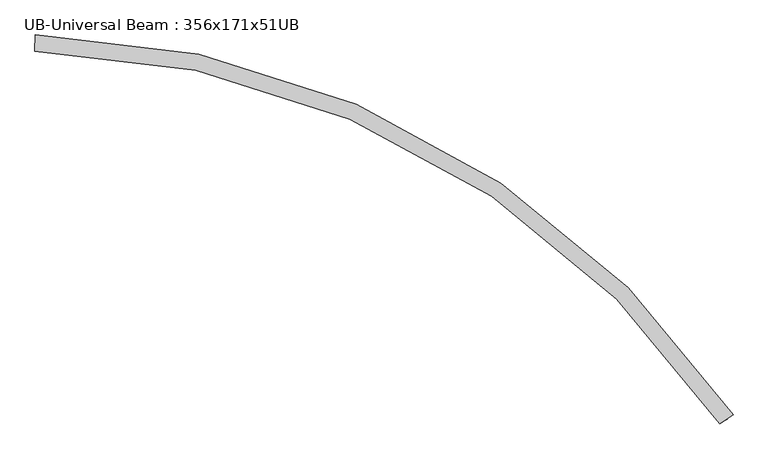
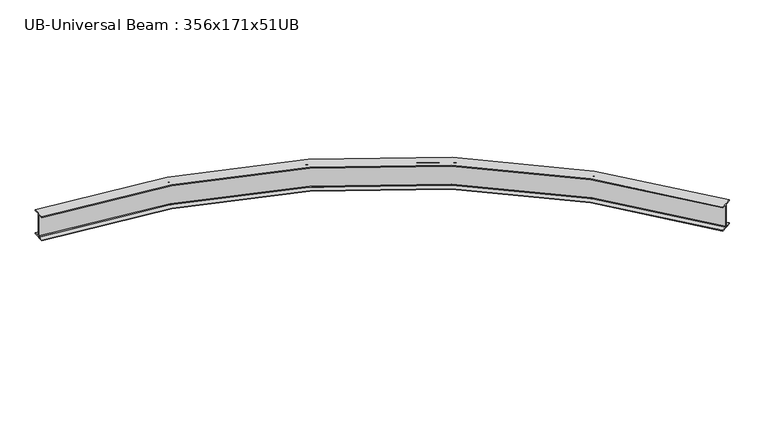
"""IFC4 building model written with IfcOpenShell, lengths in millimetres: beam geometry, UB-Universal Beam : 356x171x51UB."""

from ifc_helpers import new_model, si_unit, point, frame, origin, place, context, project, spatial, polyline, circle_curve, ellipse_curve, trimmed, source, transform, mapped, element, save
from ifc_brep_helpers import plane_surface, cylinder_surface, revolved_surface, advanced_brep


def ub_universal_beam_356x171x51ub_3a922dcd(model_context):
    return source(origin(), model_context, "Body", "AdvancedBrep", [
        advanced_brep(
        [(7603.4291631, -3945.7912319, -166.0), (7543.9559153, -3986.1069274, -166.0), (7535.5129491, -3991.8302412, -155.8), (7535.5129491, -3991.8302412, 155.8), (7543.9559153, -3986.1069274, 166.0), (7603.4291631, -3945.7912319, 166.0), (7603.4291631, -3945.7912319, 177.5), (7461.4714458, -4042.0214585, 177.5), (7461.4714458, -4042.0214585, 166.0), (7520.9446935, -4001.705763, 166.0), (7529.3876598, -3995.9824492, 155.8), (7529.3876598, -3995.9824492, -155.8), (7520.9446935, -4001.705763, -166.0), (7461.4714458, -4042.0214585, -166.0), (7461.4714458, -4042.0214585, -177.5), (7603.4291631, -3945.7912319, -177.5), (204.1140226, 83.4819392, -166.0), (204.1140226, 83.4819392, -177.5), (200.3031683, -87.9757156, -177.5), (200.3031683, -87.9757156, -166.0), (201.8997274, -16.1434561, -166.0), (202.1263788, -5.9459746, -155.8), (202.1263788, -5.9459746, 155.8), (201.8997274, -16.1434561, 166.0), (200.3031683, -87.9757156, 166.0), (200.3031683, -87.9757156, 177.5), (204.1140226, 83.4819392, 177.5), (204.1140226, 83.4819392, 166.0), (202.5174635, 11.6496798, 166.0), (202.2908122, 1.4521983, 155.8), (202.2908122, 1.4521983, -155.8), (202.5174635, 11.6496798, -166.0)],
        [
            (0, 1),
            (1, 2, circle_curve(frame((7543.9559153, -3986.1069274, -155.8), z_axis=(-0.561109192833202, 0.8277417916947727, 0.0), x_axis=(-0.8277417916947727, -0.561109192833202, 0.0)), 10.2)),
            (2, 3),
            (3, 4, circle_curve(frame((7543.9559153, -3986.1069274, 155.8), z_axis=(-0.5611091928332014, 0.8277417916947732, 0.0), x_axis=(-0.8277417916947732, -0.5611091928332014, 0.0)), 10.2)),
            (4, 5),
            (5, 6),
            (6, 7),
            (7, 8),
            (8, 9),
            (9, 10, circle_curve(frame((7520.9446935, -4001.705763, 155.8), z_axis=(-0.5611091928332014, 0.8277417916947732, 0.0), x_axis=(-0.8277417916947732, -0.5611091928332014, 0.0)), 10.2)),
            (10, 11),
            (11, 12, circle_curve(frame((7520.9446935, -4001.705763, -155.8), z_axis=(-0.5611091928332014, 0.8277417916947732, 0.0), x_axis=(-0.8277417916947732, -0.5611091928332014, 0.0)), 10.2)),
            (12, 13),
            (13, 14),
            (14, 15),
            (15, 0),
            (16, 17),
            (17, 18),
            (18, 19),
            (19, 20),
            (20, 21, circle_curve(frame((201.8997274, -16.1434561, -155.8), z_axis=(0.9997530892127157, -0.022220724777375966, 0.0), x_axis=(-0.022220724777375966, -0.9997530892127157, 0.0)), 10.2)),
            (21, 22),
            (22, 23, circle_curve(frame((201.8997274, -16.1434561, 155.8), z_axis=(0.9997530892127157, -0.022220724777375966, 0.0), x_axis=(-0.022220724777375966, -0.9997530892127157, 0.0)), 10.2)),
            (23, 24),
            (24, 25),
            (25, 26),
            (26, 27),
            (27, 28),
            (28, 29, circle_curve(frame((202.5174635, 11.6496798, 155.8), z_axis=(0.9997530892127157, -0.022220724777375966, 0.0), x_axis=(-0.022220724777375966, -0.9997530892127157, 0.0)), 10.2)),
            (29, 30),
            (30, 31, circle_curve(frame((202.5174635, 11.6496798, -155.8), z_axis=(0.9997530892127157, -0.022220724777375966, 0.0), x_axis=(-0.022220724777375966, -0.9997530892127157, 0.0)), 10.2)),
            (31, 16),
            (0, 16, circle_curve(frame((0.0, -9100.0, -166.0), z_axis=(0.0, 0.0, 1.0), x_axis=(0.8400257373298863, 0.5425465515726562, 0.0)), 9185.75)),
            (31, 1, circle_curve(frame((0.0, -9100.0, -166.0), z_axis=(0.0, 0.0, -1.0), x_axis=(0.8400257373298863, 0.5425465515726562, 0.0)), 9113.9)),
            (30, 2, circle_curve(frame((0.0, -9100.0, -155.8), z_axis=(0.0, 0.0, -1.0), x_axis=(0.8400257373298863, 0.5425465515726562, 0.0)), 9103.7)),
            (29, 3, circle_curve(frame((0.0, -9100.0, 155.8), z_axis=(0.0, 0.0, -1.0), x_axis=(0.8400257373298863, 0.5425465515726562, 0.0)), 9103.7)),
            (28, 4, circle_curve(frame((0.0, -9100.0, 166.0), z_axis=(0.0, 0.0, -1.0), x_axis=(0.8400257373298863, 0.5425465515726562, 0.0)), 9113.9)),
            (27, 5, circle_curve(frame((0.0, -9100.0, 166.0), z_axis=(0.0, 0.0, -1.0), x_axis=(0.8400257373298863, 0.5425465515726562, 0.0)), 9185.75)),
            (26, 6, circle_curve(frame((0.0, -9100.0, 177.5), z_axis=(0.0, 0.0, -1.0), x_axis=(0.8400257373298863, 0.5425465515726562, 0.0)), 9185.75)),
            (25, 7, circle_curve(frame((0.0, -9100.0, 177.5), z_axis=(0.0, 0.0, -1.0), x_axis=(0.8400257373298863, 0.5425465515726562, 0.0)), 9014.25)),
            (24, 8, circle_curve(frame((0.0, -9100.0, 166.0), z_axis=(0.0, 0.0, -1.0), x_axis=(0.8400257373298863, 0.5425465515726562, 0.0)), 9014.25)),
            (23, 9, circle_curve(frame((0.0, -9100.0, 166.0), z_axis=(0.0, 0.0, -1.0), x_axis=(0.8400257373298863, 0.5425465515726562, 0.0)), 9086.1)),
            (22, 10, circle_curve(frame((0.0, -9100.0, 155.8), z_axis=(0.0, 0.0, -1.0), x_axis=(0.8400257373298863, 0.5425465515726562, 0.0)), 9096.3)),
            (21, 11, circle_curve(frame((0.0, -9100.0, -155.8), z_axis=(0.0, 0.0, -1.0), x_axis=(0.8400257373298863, 0.5425465515726562, 0.0)), 9096.3)),
            (20, 12, circle_curve(frame((0.0, -9100.0, -166.0), z_axis=(0.0, 0.0, -1.0), x_axis=(0.8400257373298863, 0.5425465515726562, 0.0)), 9086.1)),
            (19, 13, circle_curve(frame((0.0, -9100.0, -166.0), z_axis=(0.0, 0.0, -1.0), x_axis=(0.8400257373298863, 0.5425465515726562, 0.0)), 9014.25)),
            (18, 14, circle_curve(frame((0.0, -9100.0, -177.5), z_axis=(0.0, 0.0, -1.0), x_axis=(0.8400257373298863, 0.5425465515726562, 0.0)), 9014.25)),
            (17, 15, circle_curve(frame((0.0, -9100.0, -177.5), z_axis=(0.0, 0.0, -1.0), x_axis=(0.8400257373298863, 0.5425465515726562, 0.0)), 9185.75)),
        ],
        [
            plane_surface(frame((7532.4503044, -3993.9063452, 0.0), z_axis=(0.5611091928331962, -0.8277417916947767, 0.0), x_axis=(0.0, 0.0, 1.0))),
            plane_surface(frame((202.2085955, -2.2468882, 0.0), z_axis=(-0.9997530892127156, 0.022220724777382187, 0.0), x_axis=(0.0, 0.0, 1.0))),
            plane_surface(frame((0.0, -9100.0, -166.0), z_axis=(0.0, 0.0, 1.0), x_axis=(0.8400257373298863, 0.5425465515726562, 0.0))),
            revolved_surface(trimmed(ellipse_curve(frame((7655.9105675, -4155.2849836, -155.8), z_axis=(0.5425465515726562, -0.8400257373298863, 0.0), x_axis=(-0.8400257373298863, -0.5425465515726562, 0.0)), 10.2, 10.2), [point((7647.3423049, -4160.8189584, -155.8))], [point((7655.9105675, -4155.2849836, -166.0))], True, "CARTESIAN"), (0.0, -9100.0, 0.0), (0.0, 0.0, -1.0)),
            cylinder_surface(frame((0.0, -9100.0, 0.0), z_axis=(0.0, 0.0, -1.0), x_axis=(0.8400257373298863, 0.5425465515726562, 0.0)), 9103.7),
            revolved_surface(trimmed(ellipse_curve(frame((7655.9105675, -4155.2849836, 155.8), z_axis=(0.5425465515726562, -0.8400257373298863, 0.0), x_axis=(-0.8400257373298863, -0.5425465515726562, 0.0)), 10.2, 10.2), [point((7655.9105675, -4155.2849836, 166.0))], [point((7647.3423049, -4160.8189584, 155.8))], True, "CARTESIAN"), (0.0, -9100.0, 0.0), (0.0, 0.0, -1.0)),
            plane_surface(frame((0.0, -9100.0, 166.0), z_axis=(0.0, 0.0, -1.0), x_axis=(0.8400257373298863, 0.5425465515726562, 0.0))),
            cylinder_surface(frame((0.0, -9100.0, 0.0), z_axis=(0.0, 0.0, -1.0), x_axis=(0.8400257373298863, 0.5425465515726562, 0.0)), 9185.75),
            plane_surface(frame((0.0, -9100.0, 177.5), z_axis=(0.0, 0.0, 1.0), x_axis=(0.8400257373298863, 0.5425465515726562, 0.0))),
            revolved_surface(polyline([(7572.202002725928, -4209.349747486184, 166.0), (7572.202002725928, -4209.349747486184, 177.5)]), (0.0, -9100.0, 0.0), (0.0, 0.0, -1.0)),
            revolved_surface(trimmed(ellipse_curve(frame((7632.557852, -4170.3677778, 155.8), z_axis=(0.5425465515726562, -0.8400257373298863, 0.0), x_axis=(-0.8400257373298863, -0.5425465515726562, 0.0)), 10.2, 10.2), [point((7641.1261145, -4164.8338029, 155.8))], [point((7632.557852, -4170.3677778, 166.0))], True, "CARTESIAN"), (0.0, -9100.0, 0.0), (0.0, 0.0, -1.0)),
            revolved_surface(polyline([(7641.126114473844, -4164.833802929648, -155.8), (7641.126114473844, -4164.833802929648, 155.8)]), (0.0, -9100.0, 0.0), (0.0, 0.0, -1.0)),
            revolved_surface(trimmed(ellipse_curve(frame((7632.557852, -4170.3677778, -155.8), z_axis=(0.5425465515726562, -0.8400257373298863, 0.0), x_axis=(-0.8400257373298863, -0.5425465515726562, 0.0)), 10.2, 10.2), [point((7632.557852, -4170.3677778, -166.0))], [point((7641.1261145, -4164.8338029, -155.8))], True, "CARTESIAN"), (0.0, -9100.0, 0.0), (0.0, 0.0, -1.0)),
            revolved_surface(polyline([(7572.202002725928, -4209.349747486184, -177.5), (7572.202002725928, -4209.349747486184, -166.0)]), (0.0, -9100.0, 0.0), (0.0, 0.0, -1.0)),
            plane_surface(frame((0.0, -9100.0, -177.5), z_axis=(0.0, 0.0, -1.0), x_axis=(0.8400257373298863, 0.5425465515726562, 0.0))),
        ],
        [
            (0, [[1, 2, 3, 4, 5, 6, 7, 8, 9, 10, 11, 12, 13, 14, 15, 16]]),
            (1, [[17, 18, 19, 20, 21, 22, 23, 24, 25, 26, 27, 28, 29, 30, 31, 32]]),
            (2, [[-1, 33, -32, 34]]),
            (3, [[-2, -34, -31, 35]]),
            (4, [[-3, -35, -30, 36]]),
            (5, [[-4, -36, -29, 37]]),
            (6, [[-5, -37, -28, 38]]),
            (7, [[-6, -38, -27, 39]]),
            (8, [[-7, -39, -26, 40]]),
            (9, [[-8, -40, -25, 41]]),
            (6, [[-9, -41, -24, 42]]),
            (10, [[-10, -42, -23, 43]]),
            (11, [[-11, -43, -22, 44]]),
            (12, [[-12, -44, -21, 45]]),
            (2, [[-13, -45, -20, 46]]),
            (13, [[-14, -46, -19, 47]]),
            (14, [[-15, -47, -18, 48]]),
            (7, [[-16, -48, -17, -33]]),
        ],
    ),
    ])


if __name__ == "__main__":
    model = new_model("IFC4")
    model_context = context("Model", 3, world=origin())
    ifc_project = project(units=[si_unit("LENGTHUNIT", "METRE", prefix="MILLI")], contexts=[model_context])
    site = spatial("IfcSite", under=ifc_project)
    building = spatial("IfcBuilding", under=site)
    placement = place(None, origin())
    ub_universal_beam_356x171x51ub_shape = ub_universal_beam_356x171x51ub_3a922dcd(model_context)
    element("IfcBeam", 1, ObjectType="UB-Universal Beam : 356x171x51UB", at=placement, inside=building, context=model_context, shape_type="MappedRepresentation", body=[
        mapped(ub_universal_beam_356x171x51ub_shape, transform((0.0, 0.0, 0.0), x_axis=(1.0, 0.0, 0.0), y_axis=(0.0, 1.0, 0.0), z_axis=(0.0, 0.0, 1.0))),
    ])
    save(model, "model.ifc")
